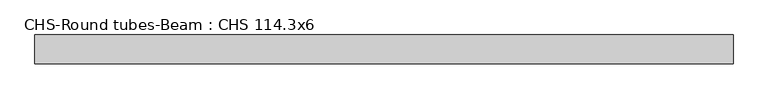
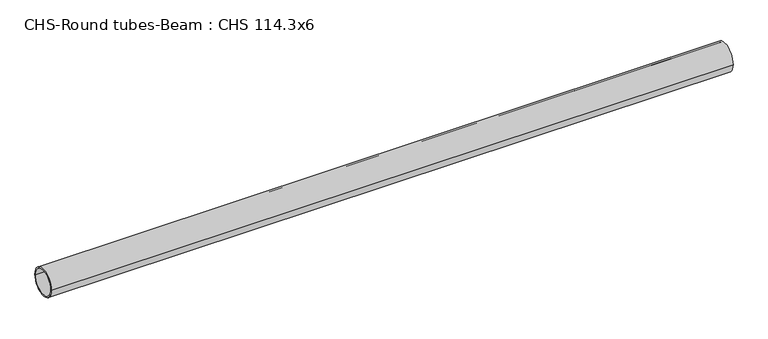
"""IFC4 building model written with IfcOpenShell, lengths in millimetres: beam geometry, CHS-Round tubes-Beam : CHS 114.3x6."""

from ifc_helpers import new_model, si_unit, point, frame, origin, origin_2d, place, context, project, spatial, circle_curve, trimmed, segment, composite_curve, outline, extrude, source, transform, mapped, element, save


def chs_round_tubes_beam_chs_114_3x6_f7aecc01(model_context):
    return source(origin(), model_context, "Body", "SweptSolid", [
        extrude(outline(composite_curve([segment(trimmed(circle_curve(origin_2d(), 57.15), [point((57.15, 0.0))], [point((-57.15, 0.0))], False, "CARTESIAN"), True, "CONTINUOUS"), segment(trimmed(circle_curve(origin_2d(), 57.15), [point((-57.15, 0.0))], [point((57.15, 0.0))], False, "CARTESIAN"), True, "CONTINUOUS")], self_intersect=False), holes=[composite_curve([segment(trimmed(circle_curve(origin_2d(), 51.15), [point((51.15, 0.0))], [point((-51.15, 0.0))], True, "CARTESIAN"), True, "CONTINUOUS"), segment(trimmed(circle_curve(origin_2d(), 51.15), [point((-51.15, 0.0))], [point((51.15, 0.0))], True, "CARTESIAN"), True, "CONTINUOUS")], self_intersect=False)]), frame((-1364.534959, 0.0, 0.0), z_axis=(1.0, 0.0, 0.0), x_axis=(0.0, 1.0, 0.0)), (0.0, 0.0, 1.0), 2754.6562067),
    ])


if __name__ == "__main__":
    model = new_model("IFC4")
    model_context = context("Model", 3, world=origin())
    ifc_project = project(units=[si_unit("LENGTHUNIT", "METRE", prefix="MILLI")], contexts=[model_context])
    site = spatial("IfcSite", under=ifc_project)
    building = spatial("IfcBuilding", under=site)
    placement = place(None, origin())
    chs_round_tubes_beam_chs_114_3x6_shape = chs_round_tubes_beam_chs_114_3x6_f7aecc01(model_context)
    element("IfcBeam", 1, ObjectType="CHS-Round tubes-Beam : CHS 114.3x6", at=placement, inside=building, context=model_context, shape_type="MappedRepresentation", body=[
        mapped(chs_round_tubes_beam_chs_114_3x6_shape, transform((0.0, 0.0, 0.0), x_axis=(1.0, 0.0, 0.0), y_axis=(0.0, 1.0, 0.0), z_axis=(0.0, 0.0, 1.0))),
    ])
    save(model, "model.ifc")
